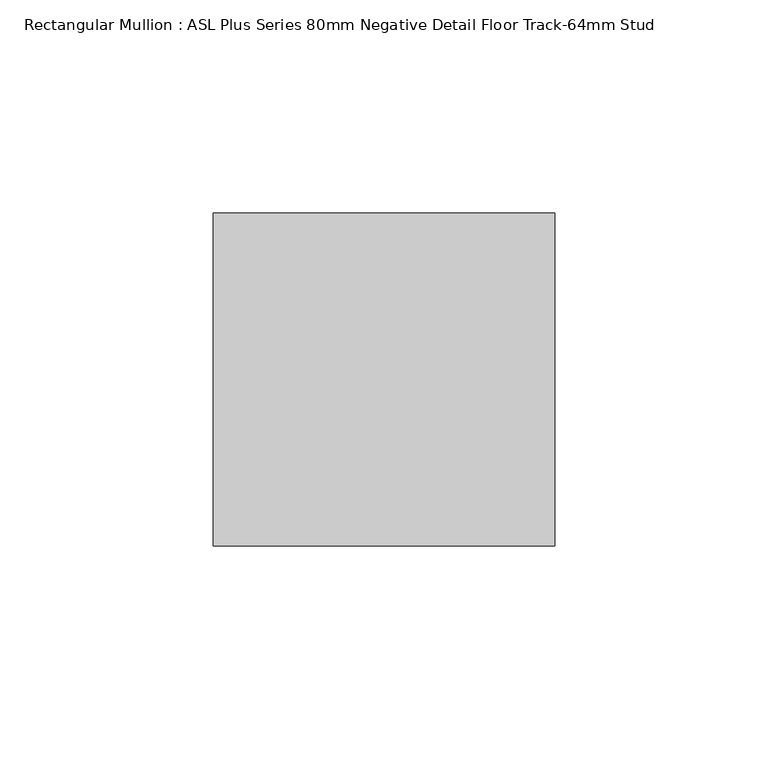
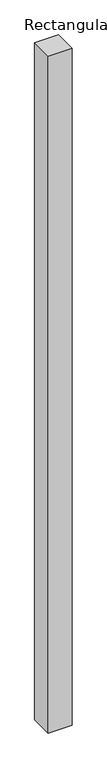
"""IFC4 building model written with IfcOpenShell, lengths in millimetres: member geometry, Rectangular Mullion : ASL Plus Series 80mm Negative Detail Floor Track-64mm Stud."""

from ifc_helpers import new_model, si_unit, frame, origin, place, context, project, spatial, polyline, outline, extrude, source, transform, mapped, element, save


def rectangular_mullion_asl_plus_series_80mm_negative_detail_f43d54a9(model_context):
    return source(origin(), model_context, "Body", "SweptSolid", [
        extrude(outline(polyline([(0.0, 39.0), (0.0, -39.0), (-80.0, -39.0), (-80.0, 39.0), (0.0, 39.0)])), frame((0.0, 0.0, -2400.0), z_axis=(0.0, 0.0, 1.0), x_axis=(1.0, 0.0, 0.0)), (0.0, 0.0, 1.0), 2400.0),
    ])


if __name__ == "__main__":
    model = new_model("IFC4")
    model_context = context("Model", 3, world=origin())
    ifc_project = project(units=[si_unit("LENGTHUNIT", "METRE", prefix="MILLI")], contexts=[model_context])
    site = spatial("IfcSite", under=ifc_project)
    building = spatial("IfcBuilding", under=site)
    placement = place(None, origin())
    rectangular_mullion_asl_plus_series_80mm_negative_detail_shape = rectangular_mullion_asl_plus_series_80mm_negative_detail_f43d54a9(model_context)
    element("IfcMember", 1, ObjectType="Rectangular Mullion : ASL Plus Series 80mm Negative Detail Floor Track-64mm Stud", at=placement, inside=building, context=model_context, shape_type="MappedRepresentation", body=[
        mapped(rectangular_mullion_asl_plus_series_80mm_negative_detail_shape, transform((0.0, 0.0, 0.0), x_axis=(1.0, 0.0, 0.0), y_axis=(0.0, 1.0, 0.0), z_axis=(0.0, 0.0, 1.0))),
    ])
    save(model, "model.ifc")
